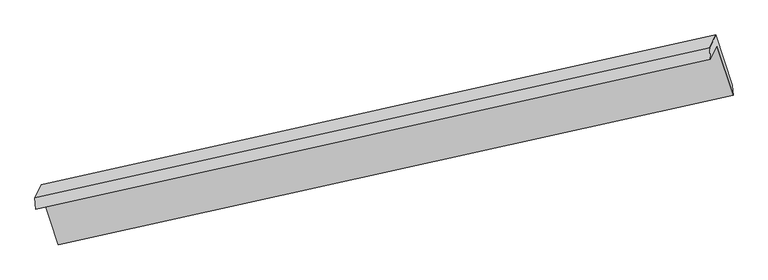
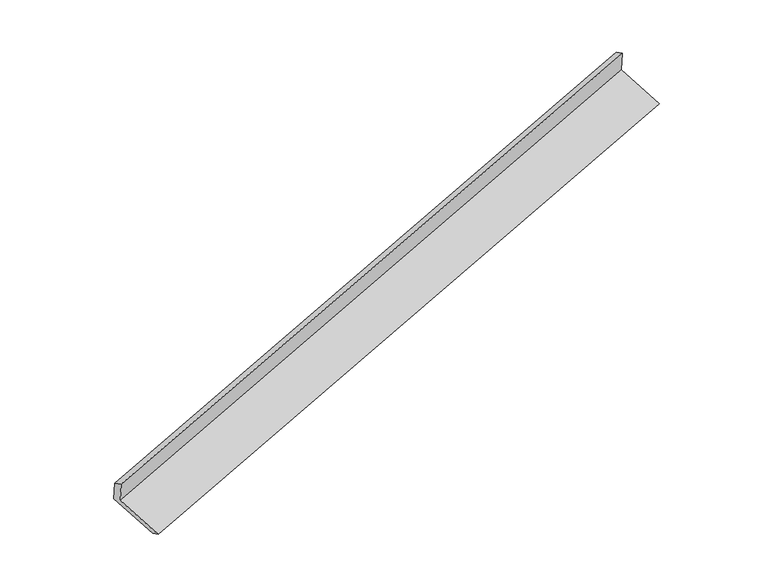
"""IFC4 building model written with IfcOpenShell, lengths in millimetres: proxy geometry."""

from ifc_helpers import new_model, si_unit, origin, place, context, project, spatial, faceted_brep, source, transform, mapped, element, save


def generic_models_43b7c191(model_context):
    return source(origin(), model_context, "Body", "Brep", [
        faceted_brep([(-7438.5886244, -2468.8233068, 939.3208795), (-7352.8867202, -2291.5737583, 534.9339032), (1556.7907752, -312.9093131, 3273.7639237), (1471.088871, -490.1588616, 3678.1508999), (-7448.5344671, -2315.128197, 863.3321326), (1461.1430283, -336.4637517, 3602.162153), (-7366.9643176, -2146.4239854, 478.4409633), (1542.7131779, -167.7595402, 3217.2709837), (-7148.9274584, -2808.2809898, 234.5466566), (1760.750037, -829.6165446, 2973.376677), (-7139.2464797, -2940.0847036, 295.9576194), (1770.4310158, -961.4202584, 3034.7876398)], [[[0, 1, 2, 3]], [[4, 0, 3, 5]], [[6, 4, 5, 7]], [[8, 6, 7, 9]], [[10, 8, 9, 11]], [[1, 10, 11, 2]], [[9, 7, 5, 3, 2, 11]], [[1, 0, 4, 6, 8, 10]]]),
    ])


if __name__ == "__main__":
    model = new_model("IFC4")
    model_context = context("Model", 3, world=origin())
    ifc_project = project(units=[si_unit("LENGTHUNIT", "METRE", prefix="MILLI")], contexts=[model_context])
    site = spatial("IfcSite", under=ifc_project)
    building = spatial("IfcBuilding", under=site)
    placement = place(None, origin())
    generic_models_shape = generic_models_43b7c191(model_context)
    element("IfcBuildingElementProxy", 1, Name="Generic Models", at=placement, inside=building, context=model_context, shape_type="MappedRepresentation", body=[
        mapped(generic_models_shape, transform((0.0, 0.0, 0.0), x_axis=(1.0, 0.0, 0.0), y_axis=(0.0, 1.0, 0.0), z_axis=(0.0, 0.0, 1.0))),
    ])
    save(model, "model.ifc")
